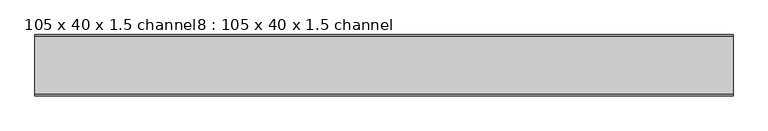
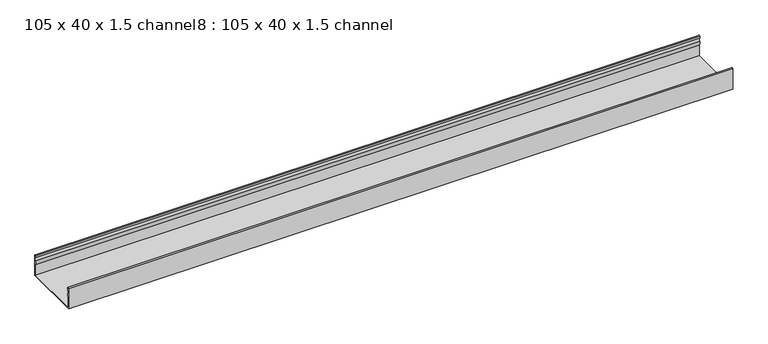
"""IFC4 building model written with IfcOpenShell, lengths in millimetres: proxy geometry, 105 x 40 x 1.5 channel8 : 105 x 40 x 1.5 channel."""

from ifc_helpers import new_model, si_unit, point, frame, frame_2d, origin, place, context, project, spatial, polyline, circle_curve, trimmed, segment, composite_curve, outline, extrude, source, transform, mapped, element, save


def proxy_105_x_40_x_1_5_channel8_105_x_40_x_1_5_channel_5ea3798e(model_context):
    return source(origin(), model_context, "Body", "SweptSolid", [
        extrude(outline(composite_curve([segment(trimmed(circle_curve(frame_2d((-25047.5343538, 32.0)), 10.0), [point((-25037.9590458, 29.1166898))], [point((-25037.9590458, 34.8833102))], True, "CARTESIAN"), True, "CONTINUOUS"), segment(polyline([(-25037.9590458, 34.8833102), (-25038.5343538, 38.8)]), True, "CONTINUOUS"), segment(trimmed(circle_curve(frame_2d((-25037.3343538, 38.8)), 1.2), [point((-25038.5343538, 38.8))], [point((-25036.1343538, 38.8))], False, "CARTESIAN"), True, "CONTINUOUS"), segment(polyline([(-25036.1343538, 38.8), (-25036.1343538, 0.0), (-25141.4343538, 0.0), (-25141.4343538, 38.8)]), True, "CONTINUOUS"), segment(trimmed(circle_curve(frame_2d((-25140.2343538, 38.8)), 1.2), [point((-25141.4343538, 38.8))], [point((-25139.0343538, 38.8))], False, "CARTESIAN"), True, "CONTINUOUS"), segment(polyline([(-25139.0343538, 38.8), (-25139.6096617, 34.8833102)]), True, "CONTINUOUS"), segment(trimmed(circle_curve(frame_2d((-25130.0343538, 32.0)), 10.0), [point((-25139.6096617, 34.8833102))], [point((-25139.6096617, 29.1166898))], True, "CARTESIAN"), True, "CONTINUOUS"), segment(trimmed(circle_curve(frame_2d((-25149.0343538, 25.77376)), 10.0), [point((-25139.6096617, 29.1166898))], [point((-25140.0343538, 21.4148611))], False, "CARTESIAN"), True, "CONTINUOUS"), segment(polyline([(-25140.0343538, 21.4148611), (-25140.0343538, 1.4), (-25037.5343538, 1.4), (-25037.5343538, 21.4148611)]), True, "CONTINUOUS"), segment(trimmed(circle_curve(frame_2d((-25028.5343538, 25.77376)), 10.0), [point((-25037.5343538, 21.4148611))], [point((-25037.9590458, 29.1166898))], False, "CARTESIAN"), True, "CONTINUOUS")], self_intersect=False)), frame((-10843.7355594, 0.0, 0.0), z_axis=(1.0, 0.0, 0.0), x_axis=(0.0, 1.0, 0.0)), (0.0, 0.0, 1.0), 1200.1845315),
    ])


if __name__ == "__main__":
    model = new_model("IFC4")
    model_context = context("Model", 3, world=origin())
    ifc_project = project(units=[si_unit("LENGTHUNIT", "METRE", prefix="MILLI")], contexts=[model_context])
    site = spatial("IfcSite", under=ifc_project)
    building = spatial("IfcBuilding", under=site)
    placement = place(None, origin())
    proxy_105_x_40_x_1_5_channel8_105_x_40_x_1_5_channel_shape = proxy_105_x_40_x_1_5_channel8_105_x_40_x_1_5_channel_5ea3798e(model_context)
    element("IfcBuildingElementProxy", 1, Name="105 x 40 x 1.5 channel8 : 105 x 40 x 1.5 channel", ObjectType="105 x 40 x 1.5 channel8 : 105 x 40 x 1.5 channel", at=placement, inside=building, context=model_context, shape_type="MappedRepresentation", body=[
        mapped(proxy_105_x_40_x_1_5_channel8_105_x_40_x_1_5_channel_shape, transform((0.0, 0.0, 0.0), x_axis=(1.0, 0.0, 0.0), y_axis=(0.0, 1.0, 0.0), z_axis=(0.0, 0.0, 1.0))),
    ])
    save(model, "model.ifc")
